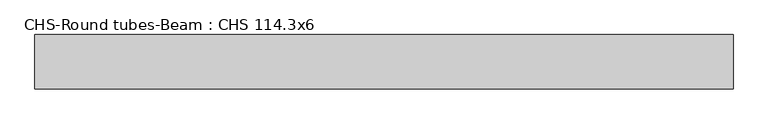
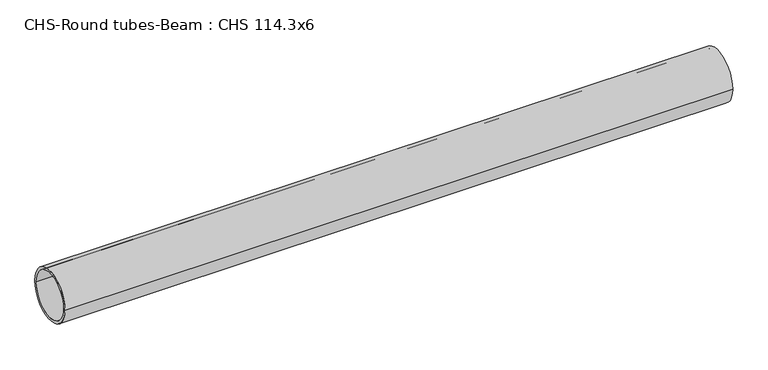
"""IFC4 building model written with IfcOpenShell, lengths in millimetres: beam geometry, CHS-Round tubes-Beam : CHS 114.3x6."""

import ifcopenshell
import ifcopenshell.guid

model = None  # the IFC model being written
_history = None  # IfcOwnerHistory: only IFC2X3 demands one
_inside = {}  # id of a spatial element -> (the spatial element, [elements in it])
_under = {}  # id of a project, library or spatial element -> (it, [spatial elements below it])
_declared = {}  # id of a project -> (the project, [libraries it declares])
_typed = {}  # id of a type object -> (the type object, [elements of that type])
_made_of = {}  # id of a material, layer set ... -> (it, [elements and type objects made of it])


def new_model(schema):
    """Start an empty IFC model of exactly this schema.

    Asked for "IFC4X3", IfcOpenShell would pick the latest addendum, in which some entities
    have other attributes; the version numbers below select the first issue.
    IFC2X3 requires an IfcOwnerHistory on every rooted entity: one is made here for all.
    """
    global model, _history
    if schema == "IFC4X3":
        model = ifcopenshell.file(schema_version=(4, 3, 0, 0))
    else:
        model = ifcopenshell.file(schema=schema)
    _inside.clear()
    _under.clear()
    _declared.clear()
    _typed.clear()
    _made_of.clear()
    _history = None
    if model.schema == "IFC2X3":
        org = make("IfcOrganization", Name="unknown")
        user = make(
            "IfcPersonAndOrganization",
            ThePerson=make("IfcPerson", FamilyName="unknown"),
            TheOrganization=org,
        )
        app = make(
            "IfcApplication",
            ApplicationDeveloper=org,
            Version="unknown",
            ApplicationFullName="unknown",
            ApplicationIdentifier="unknown",
        )
        _history = make(
            "IfcOwnerHistory",
            OwningUser=user,
            OwningApplication=app,
            ChangeAction="ADDED",
            CreationDate=0,
        )
    return model


def make(cls, **values):
    """One entity of the class cls with the attributes given. An attribute that is None is left unset."""
    return model.create_entity(
        cls, **{name: value for name, value in values.items() if value is not None}
    )


def rooted(cls, **values):
    """An entity with a GlobalId (a new one), such as an element, a storey or a relation."""
    return make(cls, GlobalId=ifcopenshell.guid.new(), OwnerHistory=_history, **values)


def si_unit(unit_type, name, prefix=None):
    """IfcSIUnit, for example si_unit("LENGTHUNIT", "METRE", prefix="MILLI")."""
    return make("IfcSIUnit", UnitType=unit_type, Prefix=prefix, Name=name)


def assignment(units):
    """IfcUnitAssignment: the units of a project."""
    return None if units is None else make("IfcUnitAssignment", Units=units)


def point(xyz):
    """IfcCartesianPoint."""
    return None if xyz is None else make("IfcCartesianPoint", Coordinates=xyz)


def direction(xyz):
    """IfcDirection."""
    return None if xyz is None else make("IfcDirection", DirectionRatios=xyz)


def frame(location, z_axis=None, x_axis=None):
    """IfcAxis2Placement3D, a coordinate frame: its origin and axes. An axis left out is left unset."""
    return make(
        "IfcAxis2Placement3D",
        Location=point(location),
        Axis=direction(z_axis),
        RefDirection=direction(x_axis),
    )


def frame_2d(location, x_axis=None):
    """IfcAxis2Placement2D, a coordinate frame in the plane: its origin and x axis."""
    return make(
        "IfcAxis2Placement2D", Location=point(location), RefDirection=direction(x_axis)
    )


def origin():
    """The frame at (0, 0, 0) with its axes left unset."""
    return frame((0.0, 0.0, 0.0))


def origin_2d():
    """The frame at (0, 0) in the plane with its x axis left unset."""
    return frame_2d((0.0, 0.0))


def place(relative_to, where):
    """IfcLocalPlacement: puts the frame where relative to a parent placement (None: the world)."""
    return make(
        "IfcLocalPlacement", PlacementRelTo=relative_to, RelativePlacement=where
    )


def context(
    kind, dimensions, precision=None, world=None, true_north=None, identifier=None
):
    """IfcGeometricRepresentationContext, for example the 3D "Model" context."""
    return make(
        "IfcGeometricRepresentationContext",
        ContextIdentifier=identifier,
        ContextType=kind,
        CoordinateSpaceDimension=dimensions,
        Precision=precision,
        WorldCoordinateSystem=world,
        TrueNorth=true_north,
    )


def project(units=None, contexts=None):
    """IfcProject with its units and contexts."""
    return rooted(
        "IfcProject",
        Name="project",
        RepresentationContexts=contexts,
        UnitsInContext=assignment(units),
    )


def spatial(cls, under=None, at=None, **own):
    """A site, building, storey or space (cls), placed at a placement, below another one or the project."""
    s = rooted(cls, ObjectPlacement=at, **own)
    if under is not None:
        _under.setdefault(under.id(), (under, []))[1].append(s)
    return s


def circle_curve(where, radius):
    """IfcCircle in the frame where."""
    return make("IfcCircle", Position=where, Radius=radius)


def trimmed(basis, trim1, trim2, sense, master):
    """IfcTrimmedCurve: the piece of a basis curve between two trims."""
    return make(
        "IfcTrimmedCurve",
        BasisCurve=basis,
        Trim1=trim1,
        Trim2=trim2,
        SenseAgreement=sense,
        MasterRepresentation=master,
    )


def segment(curve, same_sense, transition):
    """IfcCompositeCurveSegment."""
    return make(
        "IfcCompositeCurveSegment",
        Transition=transition,
        SameSense=same_sense,
        ParentCurve=curve,
    )


def composite_curve(segments, self_intersect=None):
    """IfcCompositeCurve: segments joined end to end."""
    return make("IfcCompositeCurve", Segments=segments, SelfIntersect=self_intersect)


def outline(outer, holes=None, kind="AREA"):
    """IfcArbitraryClosedProfileDef: a profile drawn as a closed curve; with holes, ...WithVoids."""
    if holes is None:
        return make("IfcArbitraryClosedProfileDef", ProfileType=kind, OuterCurve=outer)
    return make(
        "IfcArbitraryProfileDefWithVoids",
        ProfileType=kind,
        OuterCurve=outer,
        InnerCurves=holes,
    )


def extrude(swept, where, along, depth):
    """IfcExtrudedAreaSolid: the profile swept, set in the frame where, extruded along a direction by depth."""
    return make(
        "IfcExtrudedAreaSolid",
        SweptArea=swept,
        Position=where,
        ExtrudedDirection=direction(along),
        Depth=depth,
    )


def shape(context_of_items, identifier, shape_type, items):
    """IfcShapeRepresentation: the items that make up one representation, for example the "Body"."""
    return make(
        "IfcShapeRepresentation",
        ContextOfItems=context_of_items,
        RepresentationIdentifier=identifier,
        RepresentationType=shape_type,
        Items=items,
    )


def source(mapping_origin, context_of_items, identifier, shape_type, items):
    """IfcRepresentationMap: a shape defined once, which mapped items show again and again."""
    return make(
        "IfcRepresentationMap",
        MappingOrigin=mapping_origin,
        MappedRepresentation=shape(context_of_items, identifier, shape_type, items),
    )


def transform(
    local_origin,
    x_axis=None,
    y_axis=None,
    z_axis=None,
    scale=None,
    scale2=None,
    scale3=None,
    uniform=True,
):
    """IfcCartesianTransformationOperator3D, or its non-uniform kind. x_axis, y_axis, z_axis: its Axis1, 2, 3."""
    if uniform:
        return make(
            "IfcCartesianTransformationOperator3D",
            Axis1=direction(x_axis),
            Axis2=direction(y_axis),
            LocalOrigin=point(local_origin),
            Scale=scale,
            Axis3=direction(z_axis),
        )
    return make(
        "IfcCartesianTransformationOperator3DnonUniform",
        Axis1=direction(x_axis),
        Axis2=direction(y_axis),
        LocalOrigin=point(local_origin),
        Scale=scale,
        Axis3=direction(z_axis),
        Scale2=scale2,
        Scale3=scale3,
    )


def mapped(mapping_source, mapping_target):
    """IfcMappedItem: shows the shape of a source again, moved by a transform."""
    return make(
        "IfcMappedItem", MappingSource=mapping_source, MappingTarget=mapping_target
    )


def made_of(thing, what):
    """Note that an element or type object is made of a material, layer set ...; save() writes the relation."""
    if what is not None:
        _made_of.setdefault(what.id(), (what, []))[1].append(thing)
    return thing


def element(
    cls,
    number,
    at=None,
    inside=None,
    cuts=None,
    type_object=None,
    material=None,
    context=None,
    identifier="Body",
    shape_type=None,
    held_by="IfcProductDefinitionShape",
    body=None,
    shapes=None,
    **own,
):
    """One element of the class cls, such as IfcWall. Its Tag is "e" and its number.

    at: its placement. inside: the storey or other place that contains it. cuts: it is an
    opening in that element (IfcRelVoidsElement). A single representation is given by context,
    identifier, shape_type and body (its items); several are given by shapes. held_by: the class
    of the entity that holds the representations. save() writes the other relations.
    """
    e = rooted(cls, Tag="e%d" % number, ObjectPlacement=at, **own)
    if body is not None:
        shapes = [shape(context, identifier, shape_type, body)]
    if shapes is not None:
        e.Representation = make(held_by, Representations=shapes)
    if inside is not None:
        _inside.setdefault(inside.id(), (inside, []))[1].append(e)
    if cuts is not None:
        rooted(
            "IfcRelVoidsElement", RelatingBuildingElement=cuts, RelatedOpeningElement=e
        )
    if type_object is not None:
        _typed.setdefault(type_object.id(), (type_object, []))[1].append(e)
    return made_of(e, material)


def aggregate(whole, parts):
    """IfcRelAggregates: a whole, such as a stair, and the parts it consists of."""
    return rooted("IfcRelAggregates", RelatingObject=whole, RelatedObjects=parts)


def save(model, path):
    """Write the relations noted so far, then the file.

    IfcRelAggregates (storeys below a building ...), IfcRelContainedInSpatialStructure (elements
    in a storey), IfcRelDefinesByType, IfcRelAssociatesMaterial and IfcRelDeclares: one each for
    every whole, place, type object, material and project.
    """
    for whole, parts in _under.values():
        aggregate(whole, parts)
    for where, things in _inside.values():
        rooted(
            "IfcRelContainedInSpatialStructure",
            RelatedElements=things,
            RelatingStructure=where,
        )
    for kind, things in _typed.values():
        rooted("IfcRelDefinesByType", RelatedObjects=things, RelatingType=kind)
    for what, things in _made_of.values():
        rooted("IfcRelAssociatesMaterial", RelatedObjects=things, RelatingMaterial=what)
    for by, libraries in _declared.values():
        rooted("IfcRelDeclares", RelatingContext=by, RelatedDefinitions=libraries)
    model.write(path)


def chs_round_tubes_beam_chs_114_3x6_4ba847d6(model_context):
    return source(origin(), model_context, "Body", "SweptSolid", [
        extrude(outline(composite_curve([segment(trimmed(circle_curve(origin_2d(), 57.15), [point((57.15, 0.0))], [point((-57.15, 0.0))], False, "CARTESIAN"), True, "CONTINUOUS"), segment(trimmed(circle_curve(origin_2d(), 57.15), [point((-57.15, 0.0))], [point((57.15, 0.0))], False, "CARTESIAN"), True, "CONTINUOUS")], self_intersect=False), holes=[composite_curve([segment(trimmed(circle_curve(origin_2d(), 51.15), [point((51.15, 0.0))], [point((-51.15, 0.0))], True, "CARTESIAN"), True, "CONTINUOUS"), segment(trimmed(circle_curve(origin_2d(), 51.15), [point((-51.15, 0.0))], [point((51.15, 0.0))], True, "CARTESIAN"), True, "CONTINUOUS")], self_intersect=False)]), frame((-702.9230994, 0.0, 0.0), z_axis=(1.0, 0.0, 0.0), x_axis=(0.0, 1.0, 0.0)), (0.0, 0.0, 1.0), 1466.4101332),
    ])


if __name__ == "__main__":
    model = new_model("IFC4")
    model_context = context("Model", 3, world=origin())
    ifc_project = project(units=[si_unit("LENGTHUNIT", "METRE", prefix="MILLI")], contexts=[model_context])
    site = spatial("IfcSite", under=ifc_project)
    building = spatial("IfcBuilding", under=site)
    placement = place(None, origin())
    chs_round_tubes_beam_chs_114_3x6_shape = chs_round_tubes_beam_chs_114_3x6_4ba847d6(model_context)
    element("IfcBeam", 1, ObjectType="CHS-Round tubes-Beam : CHS 114.3x6", at=placement, inside=building, context=model_context, shape_type="MappedRepresentation", body=[
        mapped(chs_round_tubes_beam_chs_114_3x6_shape, transform((0.0, 0.0, 0.0), x_axis=(1.0, 0.0, 0.0), y_axis=(0.0, 1.0, 0.0), z_axis=(0.0, 0.0, 1.0))),
    ])
    save(model, "model.ifc")
